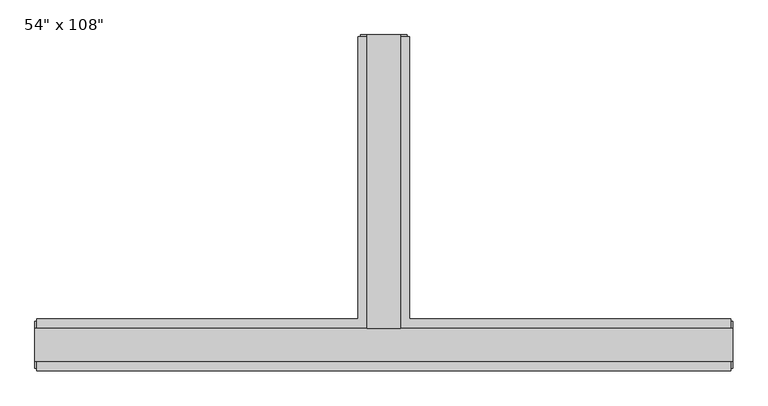
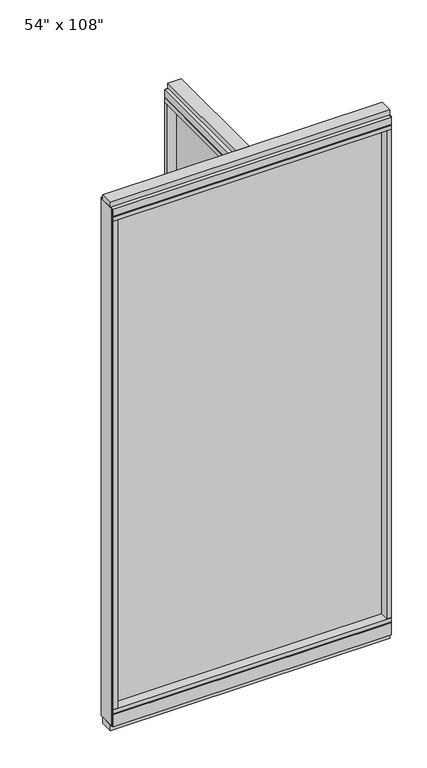
"""IFC4 building model written with IfcOpenShell, lengths in millimetres: furniture geometry."""

from ifc_helpers import new_model, si_unit, frame, origin, origin_with_axes, place, context, project, spatial, polyline, outline, extrude, faceted_brep, source, transform, mapped, element, save


def furniture_819965b1(model_context):
    return source(origin(), model_context, "Body", "SolidModel", [
        extrude(outline(polyline([(-65.1165229, 0.5622784), (-65.1165229, 578.9202784), (-54.9565229, 578.9202784), (-54.9565229, 0.5622784), (-65.1165229, 0.5622784)])), frame((0.0, 0.0, 120.65), z_axis=(0.0, 0.0, 1.0), x_axis=(1.0, 0.0, 0.0)), (0.0, 0.0, 1.0), 2533.777),
        extrude(outline(polyline([(599.6014771, -9.5977216), (-719.6745229, -9.5977216), (-719.6745229, 0.5622784), (599.6014771, 0.5622784), (599.6014771, -9.5977216)])), frame((0.0, 0.0, 120.523), z_axis=(0.0, 0.0, 1.0), x_axis=(1.0, 0.0, 0.0)), (0.0, 0.0, 1.0), 2533.777),
        extrude(outline(polyline([(-110.8365229, 601.1452784), (-9.2365229, 601.1452784), (-9.2365229, 46.2822784), (621.8264771, 46.2822784), (621.8264771, -55.3177216), (-741.8995229, -55.3177216), (-741.8995229, 46.2822784), (-110.8365229, 46.2822784), (-110.8365229, 601.1452784)])), frame((0.0, 0.0, 2654.3), z_axis=(0.0, 0.0, 1.0), x_axis=(1.0, 0.0, 0.0)), (0.0, 0.0, 1.0), 22.225),
        faceted_brep([(-105.8835229, 46.2822784, 2681.478), (-105.8835229, 46.2822784, 2676.525), (-14.1895229, 46.2822784, 2676.525), (-14.1895229, 46.2822784, 2681.478), (-9.2365229, 601.1452784, 2681.478), (-14.1895229, 601.1452784, 2681.478), (-14.1895229, 601.1452784, 2676.525), (-105.8835229, 601.1452784, 2676.525), (-105.8835229, 601.1452784, 2681.478), (-110.8365229, 601.1452784, 2681.478), (-110.8365229, 601.1452784, 2717.8), (-9.2365229, 601.1452784, 2717.8), (-9.2365229, 46.2822784, 2681.478), (621.8264771, 46.2822784, 2681.478), (621.8264771, 41.3292784, 2681.478), (-741.8995229, 41.3292784, 2681.478), (-741.8995229, 46.2822784, 2681.478), (-110.8365229, 46.2822784, 2681.478), (-110.8365229, 46.2822784, 2717.8), (-741.8995229, 46.2822784, 2717.8), (-741.8995229, -55.3177216, 2717.8), (621.8264771, -55.3177216, 2717.8), (621.8264771, 46.2822784, 2717.8), (-9.2365229, 46.2822784, 2717.8), (-741.8995229, -55.3177216, 2681.478), (-741.8995229, 41.3292784, 2676.525), (-741.8995229, -50.3647216, 2676.525), (-741.8995229, -50.3647216, 2681.478), (621.8264771, -55.3177216, 2681.478), (621.8264771, -50.3647216, 2681.478), (621.8264771, -50.3647216, 2676.525), (621.8264771, 41.3292784, 2676.525)], [[[0, 1, 2, 3]], [[4, 5, 6, 7, 8, 9, 10, 11]], [[5, 4, 12, 13, 14, 15, 16, 17, 9, 8, 0, 3]], [[3, 2, 6, 5]], [[2, 1, 7, 6]], [[1, 0, 8, 7]], [[10, 9, 17, 18]], [[11, 10, 18, 19, 20, 21, 22, 23]], [[4, 11, 23, 12]], [[24, 20, 19, 16, 15, 25, 26, 27]], [[28, 29, 30, 31, 14, 13, 22, 21]], [[24, 27, 29, 28]], [[16, 19, 18, 17]], [[22, 13, 12, 23]], [[20, 24, 28, 21]], [[25, 15, 14, 31]], [[26, 25, 31, 30]], [[27, 26, 30, 29]]]),
        faceted_brep([(-14.1895229, 46.2822784, 93.345), (-14.1895229, 46.2822784, 98.298), (-105.8835229, 46.2822784, 98.298), (-105.8835229, 46.2822784, 93.345), (-9.2365229, 601.1452784, 93.345), (-9.2365229, 601.1452784, 31.75), (-110.8365229, 601.1452784, 31.75), (-110.8365229, 601.1452784, 93.345), (-105.8835229, 601.1452784, 93.345), (-105.8835229, 601.1452784, 98.298), (-14.1895229, 601.1452784, 98.298), (-14.1895229, 601.1452784, 93.345), (-110.8365229, 46.2822784, 93.345), (-741.8995229, 46.2822784, 93.345), (-741.8995229, 41.3292784, 93.345), (621.8264771, 41.3292784, 93.345), (621.8264771, 46.2822784, 93.345), (-9.2365229, 46.2822784, 93.345), (-110.8365229, 46.2822784, 31.75), (-9.2365229, 46.2822784, 31.75), (621.8264771, 46.2822784, 31.75), (621.8264771, -55.3177216, 31.75), (-741.8995229, -55.3177216, 31.75), (-741.8995229, 46.2822784, 31.75), (621.8264771, -55.3177216, 93.345), (621.8264771, 41.3292784, 98.298), (621.8264771, -50.3647216, 98.298), (621.8264771, -50.3647216, 93.345), (-741.8995229, -55.3177216, 93.345), (-741.8995229, -50.3647216, 93.345), (-741.8995229, -50.3647216, 98.298), (-741.8995229, 41.3292784, 98.298)], [[[0, 1, 2, 3]], [[4, 5, 6, 7, 8, 9, 10, 11]], [[4, 11, 0, 3, 8, 7, 12, 13, 14, 15, 16, 17]], [[1, 0, 11, 10]], [[2, 1, 10, 9]], [[3, 2, 9, 8]], [[7, 6, 18, 12]], [[6, 5, 19, 20, 21, 22, 23, 18]], [[5, 4, 17, 19]], [[24, 21, 20, 16, 15, 25, 26, 27]], [[28, 29, 30, 31, 14, 13, 23, 22]], [[24, 27, 29, 28]], [[16, 20, 19, 17]], [[23, 13, 12, 18]], [[21, 24, 28, 22]], [[25, 15, 14, 31]], [[26, 25, 31, 30]], [[27, 26, 30, 29]]]),
        extrude(outline(polyline([(-110.8365229, 601.1452784), (-9.2365229, 601.1452784), (-9.2365229, 46.2822784), (621.8264771, 46.2822784), (621.8264771, -55.3177216), (-741.8995229, -55.3177216), (-741.8995229, 46.2822784), (-110.8365229, 46.2822784), (-110.8365229, 601.1452784)])), frame((0.0, 0.0, 98.298), z_axis=(0.0, 0.0, 1.0), x_axis=(1.0, 0.0, 0.0)), (0.0, 0.0, 1.0), 22.225),
        extrude(outline(polyline([(-27.5245229, 27.9942784), (-92.5485229, 27.9942784), (-92.5485229, 605.0822784), (-27.5245229, 605.0822784), (-27.5245229, 27.9942784)])), origin_with_axes(), (0.0, 0.0, 1.0), 31.75),
        extrude(outline(polyline([(-9.2365229, 601.1452784), (-9.2365229, 578.9202784), (-110.8365229, 578.9202784), (-110.8365229, 601.1452784), (-9.2365229, 601.1452784)])), frame((0.0, 0.0, 120.523), z_axis=(0.0, 0.0, 1.0), x_axis=(1.0, 0.0, 0.0)), (0.0, 0.0, 1.0), 2533.777),
        extrude(outline(polyline([(-14.1895229, 605.0822784), (-14.1895229, 601.1452784), (-105.8835229, 601.1452784), (-105.8835229, 605.0822784), (-14.1895229, 605.0822784)])), frame((0.0, 0.0, 31.75), z_axis=(0.0, 0.0, 1.0), x_axis=(1.0, 0.0, 0.0)), (0.0, 0.0, 1.0), 2686.05),
        extrude(outline(polyline([(-27.5245229, 27.9942784), (-92.5485229, 27.9942784), (-92.5485229, 605.0822784), (-27.5245229, 605.0822784), (-27.5245229, 27.9942784)])), frame((0.0, 0.0, 2717.8), z_axis=(0.0, 0.0, 1.0), x_axis=(1.0, 0.0, 0.0)), (0.0, 0.0, 1.0), 25.4),
        extrude(outline(polyline([(625.7634771, 27.9942784), (625.7634771, -37.0297216), (-745.8365229, -37.0297216), (-745.8365229, 27.9942784), (625.7634771, 27.9942784)])), origin_with_axes(), (0.0, 0.0, 1.0), 31.75),
        extrude(outline(polyline([(-745.8365229, -37.0297216), (-745.8365229, 27.9942784), (625.7634771, 27.9942784), (625.7634771, -37.0297216), (-745.8365229, -37.0297216)])), frame((0.0, 0.0, 2717.8), z_axis=(0.0, 0.0, 1.0), x_axis=(1.0, 0.0, 0.0)), (0.0, 0.0, 1.0), 25.4),
        extrude(outline(polyline([(599.6014771, -55.3177216), (599.6014771, 46.2822784), (621.8264771, 46.2822784), (621.8264771, -55.3177216), (599.6014771, -55.3177216)])), frame((0.0, 0.0, 120.523), z_axis=(0.0, 0.0, 1.0), x_axis=(1.0, 0.0, 0.0)), (0.0, 0.0, 1.0), 2533.777),
        extrude(outline(polyline([(-719.6745229, -55.3177216), (-741.8995229, -55.3177216), (-741.8995229, 46.2822784), (-719.6745229, 46.2822784), (-719.6745229, -55.3177216)])), frame((0.0, 0.0, 120.523), z_axis=(0.0, 0.0, 1.0), x_axis=(1.0, 0.0, 0.0)), (0.0, 0.0, 1.0), 2533.777),
        extrude(outline(polyline([(625.7634771, -50.3647216), (621.8264771, -50.3647216), (621.8264771, 41.3292784), (625.7634771, 41.3292784), (625.7634771, -50.3647216)])), frame((0.0, 0.0, 31.75), z_axis=(0.0, 0.0, 1.0), x_axis=(1.0, 0.0, 0.0)), (0.0, 0.0, 1.0), 2686.05),
        extrude(outline(polyline([(-745.8365229, -50.3647216), (-745.8365229, 41.3292784), (-741.8995229, 41.3292784), (-741.8995229, -50.3647216), (-745.8365229, -50.3647216)])), frame((0.0, 0.0, 31.75), z_axis=(0.0, 0.0, 1.0), x_axis=(1.0, 0.0, 0.0)), (0.0, 0.0, 1.0), 2686.05),
    ])


if __name__ == "__main__":
    model = new_model("IFC4")
    model_context = context("Model", 3, world=origin())
    ifc_project = project(units=[si_unit("LENGTHUNIT", "METRE", prefix="MILLI")], contexts=[model_context])
    site = spatial("IfcSite", under=ifc_project)
    building = spatial("IfcBuilding", under=site)
    placement = place(None, origin())
    furniture_shape = furniture_819965b1(model_context)
    element("IfcFurniture", 1, ObjectType="54\" x 108\"", at=placement, inside=building, context=model_context, shape_type="MappedRepresentation", body=[
        mapped(furniture_shape, transform((0.0, 0.0, 0.0), x_axis=(1.0, 0.0, 0.0), y_axis=(0.0, 1.0, 0.0), z_axis=(0.0, 0.0, 1.0))),
    ])
    save(model, "model.ifc")
